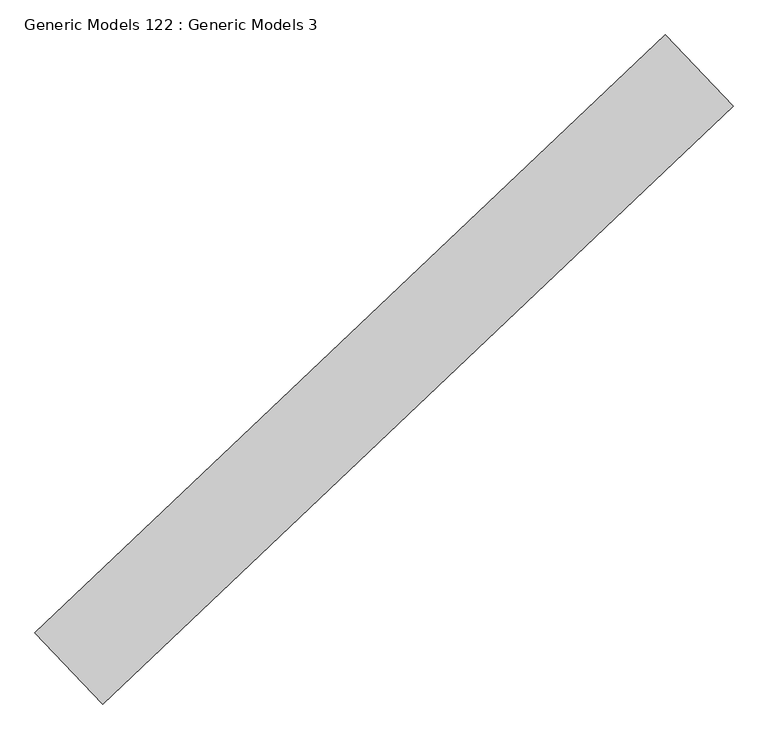
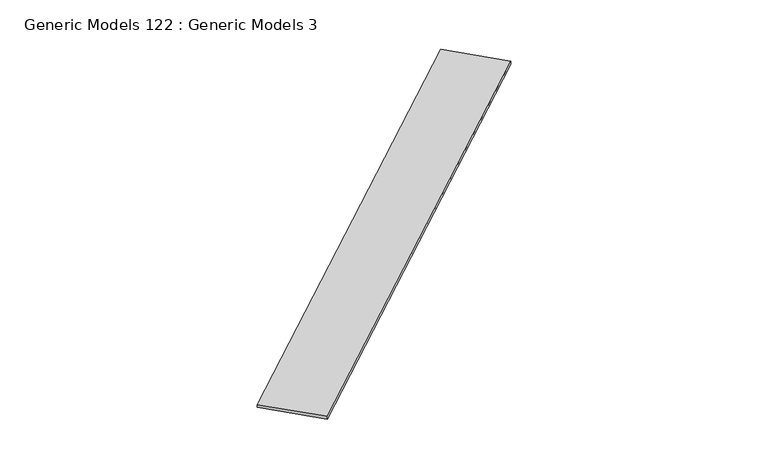
"""IFC4 building model written with IfcOpenShell, lengths in millimetres: proxy geometry, Generic Models 122 : Generic Models 3."""

import ifcopenshell
import ifcopenshell.guid

model = None  # the IFC model being written
_history = None  # IfcOwnerHistory: only IFC2X3 demands one
_inside = {}  # id of a spatial element -> (the spatial element, [elements in it])
_under = {}  # id of a project, library or spatial element -> (it, [spatial elements below it])
_declared = {}  # id of a project -> (the project, [libraries it declares])
_typed = {}  # id of a type object -> (the type object, [elements of that type])
_made_of = {}  # id of a material, layer set ... -> (it, [elements and type objects made of it])


def new_model(schema):
    """Start an empty IFC model of exactly this schema.

    Asked for "IFC4X3", IfcOpenShell would pick the latest addendum, in which some entities
    have other attributes; the version numbers below select the first issue.
    IFC2X3 requires an IfcOwnerHistory on every rooted entity: one is made here for all.
    """
    global model, _history
    if schema == "IFC4X3":
        model = ifcopenshell.file(schema_version=(4, 3, 0, 0))
    else:
        model = ifcopenshell.file(schema=schema)
    _inside.clear()
    _under.clear()
    _declared.clear()
    _typed.clear()
    _made_of.clear()
    _history = None
    if model.schema == "IFC2X3":
        org = make("IfcOrganization", Name="unknown")
        user = make(
            "IfcPersonAndOrganization",
            ThePerson=make("IfcPerson", FamilyName="unknown"),
            TheOrganization=org,
        )
        app = make(
            "IfcApplication",
            ApplicationDeveloper=org,
            Version="unknown",
            ApplicationFullName="unknown",
            ApplicationIdentifier="unknown",
        )
        _history = make(
            "IfcOwnerHistory",
            OwningUser=user,
            OwningApplication=app,
            ChangeAction="ADDED",
            CreationDate=0,
        )
    return model


def make(cls, **values):
    """One entity of the class cls with the attributes given. An attribute that is None is left unset."""
    return model.create_entity(
        cls, **{name: value for name, value in values.items() if value is not None}
    )


def rooted(cls, **values):
    """An entity with a GlobalId (a new one), such as an element, a storey or a relation."""
    return make(cls, GlobalId=ifcopenshell.guid.new(), OwnerHistory=_history, **values)


def si_unit(unit_type, name, prefix=None):
    """IfcSIUnit, for example si_unit("LENGTHUNIT", "METRE", prefix="MILLI")."""
    return make("IfcSIUnit", UnitType=unit_type, Prefix=prefix, Name=name)


def assignment(units):
    """IfcUnitAssignment: the units of a project."""
    return None if units is None else make("IfcUnitAssignment", Units=units)


def point(xyz):
    """IfcCartesianPoint."""
    return None if xyz is None else make("IfcCartesianPoint", Coordinates=xyz)


def direction(xyz):
    """IfcDirection."""
    return None if xyz is None else make("IfcDirection", DirectionRatios=xyz)


def frame(location, z_axis=None, x_axis=None):
    """IfcAxis2Placement3D, a coordinate frame: its origin and axes. An axis left out is left unset."""
    return make(
        "IfcAxis2Placement3D",
        Location=point(location),
        Axis=direction(z_axis),
        RefDirection=direction(x_axis),
    )


def origin():
    """The frame at (0, 0, 0) with its axes left unset."""
    return frame((0.0, 0.0, 0.0))


def place(relative_to, where):
    """IfcLocalPlacement: puts the frame where relative to a parent placement (None: the world)."""
    return make(
        "IfcLocalPlacement", PlacementRelTo=relative_to, RelativePlacement=where
    )


def context(
    kind, dimensions, precision=None, world=None, true_north=None, identifier=None
):
    """IfcGeometricRepresentationContext, for example the 3D "Model" context."""
    return make(
        "IfcGeometricRepresentationContext",
        ContextIdentifier=identifier,
        ContextType=kind,
        CoordinateSpaceDimension=dimensions,
        Precision=precision,
        WorldCoordinateSystem=world,
        TrueNorth=true_north,
    )


def project(units=None, contexts=None):
    """IfcProject with its units and contexts."""
    return rooted(
        "IfcProject",
        Name="project",
        RepresentationContexts=contexts,
        UnitsInContext=assignment(units),
    )


def spatial(cls, under=None, at=None, **own):
    """A site, building, storey or space (cls), placed at a placement, below another one or the project."""
    s = rooted(cls, ObjectPlacement=at, **own)
    if under is not None:
        _under.setdefault(under.id(), (under, []))[1].append(s)
    return s


def polyline(points):
    """IfcPolyline through the points."""
    return make("IfcPolyline", Points=[point(p) for p in points])


def outline(outer, holes=None, kind="AREA"):
    """IfcArbitraryClosedProfileDef: a profile drawn as a closed curve; with holes, ...WithVoids."""
    if holes is None:
        return make("IfcArbitraryClosedProfileDef", ProfileType=kind, OuterCurve=outer)
    return make(
        "IfcArbitraryProfileDefWithVoids",
        ProfileType=kind,
        OuterCurve=outer,
        InnerCurves=holes,
    )


def extrude(swept, where, along, depth):
    """IfcExtrudedAreaSolid: the profile swept, set in the frame where, extruded along a direction by depth."""
    return make(
        "IfcExtrudedAreaSolid",
        SweptArea=swept,
        Position=where,
        ExtrudedDirection=direction(along),
        Depth=depth,
    )


def shape(context_of_items, identifier, shape_type, items):
    """IfcShapeRepresentation: the items that make up one representation, for example the "Body"."""
    return make(
        "IfcShapeRepresentation",
        ContextOfItems=context_of_items,
        RepresentationIdentifier=identifier,
        RepresentationType=shape_type,
        Items=items,
    )


def source(mapping_origin, context_of_items, identifier, shape_type, items):
    """IfcRepresentationMap: a shape defined once, which mapped items show again and again."""
    return make(
        "IfcRepresentationMap",
        MappingOrigin=mapping_origin,
        MappedRepresentation=shape(context_of_items, identifier, shape_type, items),
    )


def transform(
    local_origin,
    x_axis=None,
    y_axis=None,
    z_axis=None,
    scale=None,
    scale2=None,
    scale3=None,
    uniform=True,
):
    """IfcCartesianTransformationOperator3D, or its non-uniform kind. x_axis, y_axis, z_axis: its Axis1, 2, 3."""
    if uniform:
        return make(
            "IfcCartesianTransformationOperator3D",
            Axis1=direction(x_axis),
            Axis2=direction(y_axis),
            LocalOrigin=point(local_origin),
            Scale=scale,
            Axis3=direction(z_axis),
        )
    return make(
        "IfcCartesianTransformationOperator3DnonUniform",
        Axis1=direction(x_axis),
        Axis2=direction(y_axis),
        LocalOrigin=point(local_origin),
        Scale=scale,
        Axis3=direction(z_axis),
        Scale2=scale2,
        Scale3=scale3,
    )


def mapped(mapping_source, mapping_target):
    """IfcMappedItem: shows the shape of a source again, moved by a transform."""
    return make(
        "IfcMappedItem", MappingSource=mapping_source, MappingTarget=mapping_target
    )


def made_of(thing, what):
    """Note that an element or type object is made of a material, layer set ...; save() writes the relation."""
    if what is not None:
        _made_of.setdefault(what.id(), (what, []))[1].append(thing)
    return thing


def element(
    cls,
    number,
    at=None,
    inside=None,
    cuts=None,
    type_object=None,
    material=None,
    context=None,
    identifier="Body",
    shape_type=None,
    held_by="IfcProductDefinitionShape",
    body=None,
    shapes=None,
    **own,
):
    """One element of the class cls, such as IfcWall. Its Tag is "e" and its number.

    at: its placement. inside: the storey or other place that contains it. cuts: it is an
    opening in that element (IfcRelVoidsElement). A single representation is given by context,
    identifier, shape_type and body (its items); several are given by shapes. held_by: the class
    of the entity that holds the representations. save() writes the other relations.
    """
    e = rooted(cls, Tag="e%d" % number, ObjectPlacement=at, **own)
    if body is not None:
        shapes = [shape(context, identifier, shape_type, body)]
    if shapes is not None:
        e.Representation = make(held_by, Representations=shapes)
    if inside is not None:
        _inside.setdefault(inside.id(), (inside, []))[1].append(e)
    if cuts is not None:
        rooted(
            "IfcRelVoidsElement", RelatingBuildingElement=cuts, RelatedOpeningElement=e
        )
    if type_object is not None:
        _typed.setdefault(type_object.id(), (type_object, []))[1].append(e)
    return made_of(e, material)


def aggregate(whole, parts):
    """IfcRelAggregates: a whole, such as a stair, and the parts it consists of."""
    return rooted("IfcRelAggregates", RelatingObject=whole, RelatedObjects=parts)


def save(model, path):
    """Write the relations noted so far, then the file.

    IfcRelAggregates (storeys below a building ...), IfcRelContainedInSpatialStructure (elements
    in a storey), IfcRelDefinesByType, IfcRelAssociatesMaterial and IfcRelDeclares: one each for
    every whole, place, type object, material and project.
    """
    for whole, parts in _under.values():
        aggregate(whole, parts)
    for where, things in _inside.values():
        rooted(
            "IfcRelContainedInSpatialStructure",
            RelatedElements=things,
            RelatingStructure=where,
        )
    for kind, things in _typed.values():
        rooted("IfcRelDefinesByType", RelatedObjects=things, RelatingType=kind)
    for what, things in _made_of.values():
        rooted("IfcRelAssociatesMaterial", RelatedObjects=things, RelatingMaterial=what)
    for by, libraries in _declared.values():
        rooted("IfcRelDeclares", RelatingContext=by, RelatedDefinitions=libraries)
    model.write(path)


def generic_models_122_generic_models_3_6ecf09f5(model_context):
    return source(origin(), model_context, "Body", "SweptSolid", [
        extrude(outline(polyline([(111151.6367545, 51880.0950555), (111505.6919305, 51506.9987478), (108219.2201334, 48388.2534628), (107865.1649574, 48761.3497706), (111151.6367545, 51880.0950555)])), frame((0.0, 0.0, 18652.1733985), z_axis=(0.0, 0.0, 1.0), x_axis=(1.0, 0.0, 0.0)), (0.0, 0.0, 1.0), 25.4),
    ])


if __name__ == "__main__":
    model = new_model("IFC4")
    model_context = context("Model", 3, world=origin())
    ifc_project = project(units=[si_unit("LENGTHUNIT", "METRE", prefix="MILLI")], contexts=[model_context])
    site = spatial("IfcSite", under=ifc_project)
    building = spatial("IfcBuilding", under=site)
    placement = place(None, origin())
    generic_models_122_generic_models_3_shape = generic_models_122_generic_models_3_6ecf09f5(model_context)
    element("IfcBuildingElementProxy", 1, Name="Generic Models 122 : Generic Models 3", ObjectType="Generic Models 122 : Generic Models 3", at=placement, inside=building, context=model_context, shape_type="MappedRepresentation", body=[
        mapped(generic_models_122_generic_models_3_shape, transform((0.0, 0.0, 0.0), x_axis=(1.0, 0.0, 0.0), y_axis=(0.0, 1.0, 0.0), z_axis=(0.0, 0.0, 1.0))),
    ])
    save(model, "model.ifc")
